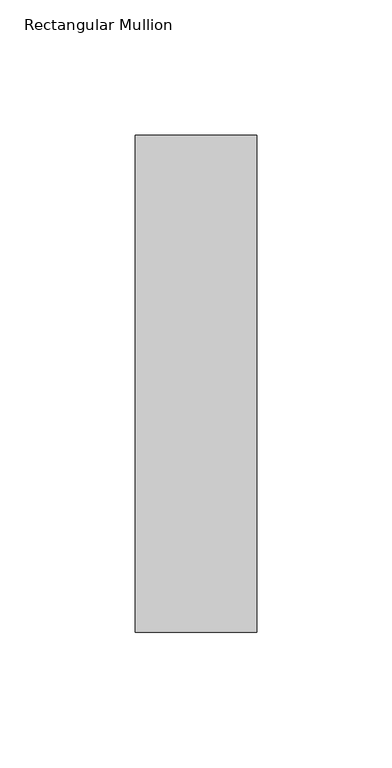
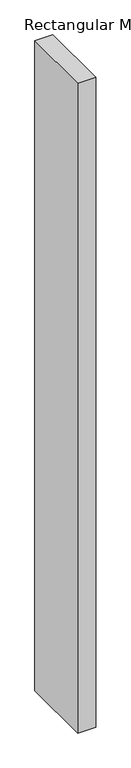
"""IFC4 building model written with IfcOpenShell, lengths in millimetres: member geometry, Rectangular Mullion."""

from ifc_helpers import new_model, si_unit, frame, origin, place, context, project, spatial, polyline, outline, extrude, source, transform, mapped, element, save


def rectangular_mullion_2a14d66b(model_context):
    return source(origin(), model_context, "Body", "SweptSolid", [
        extrude(outline(polyline([(22.5, 147.525), (22.5, -36.525), (-22.5, -36.525), (-22.5, 147.525), (22.5, 147.525)])), frame((0.0, 0.0, -1708.8912252), z_axis=(0.0, 0.0, 1.0), x_axis=(1.0, 0.0, 0.0)), (0.0, 0.0, 1.0), 1708.8912252),
    ])


if __name__ == "__main__":
    model = new_model("IFC4")
    model_context = context("Model", 3, world=origin())
    ifc_project = project(units=[si_unit("LENGTHUNIT", "METRE", prefix="MILLI")], contexts=[model_context])
    site = spatial("IfcSite", under=ifc_project)
    building = spatial("IfcBuilding", under=site)
    placement = place(None, origin())
    rectangular_mullion_shape = rectangular_mullion_2a14d66b(model_context)
    element("IfcMember", 1, ObjectType="Rectangular Mullion", at=placement, inside=building, context=model_context, shape_type="MappedRepresentation", body=[
        mapped(rectangular_mullion_shape, transform((0.0, 0.0, 0.0), x_axis=(1.0, 0.0, 0.0), y_axis=(0.0, 1.0, 0.0), z_axis=(0.0, 0.0, 1.0))),
    ])
    save(model, "model.ifc")
